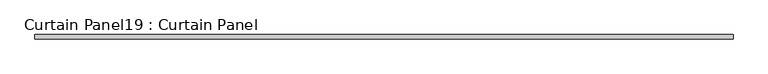
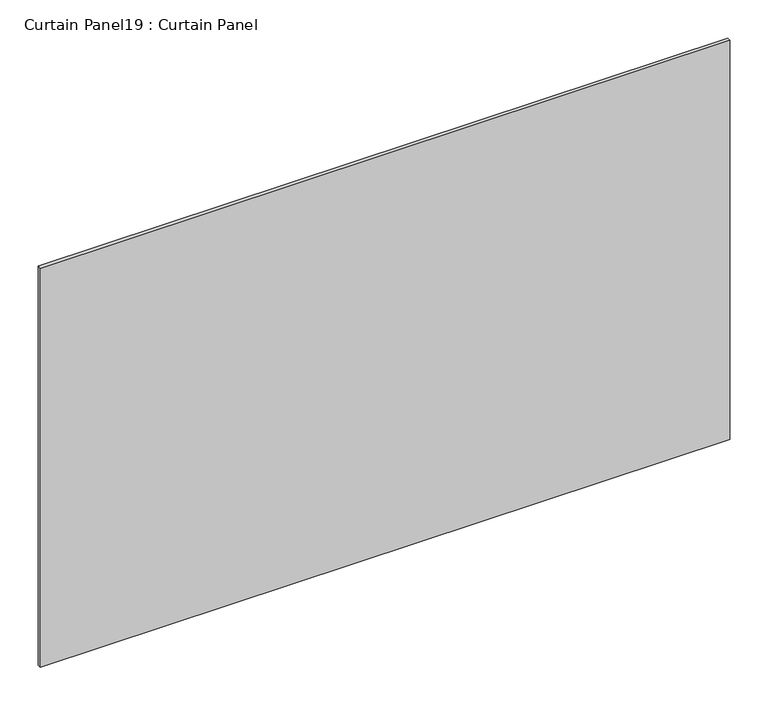
"""IFC4 building model written with IfcOpenShell, lengths in millimetres: plate geometry, Curtain Panel19 : Curtain Panel."""

import ifcopenshell
import ifcopenshell.guid

model = None  # the IFC model being written
_history = None  # IfcOwnerHistory: only IFC2X3 demands one
_inside = {}  # id of a spatial element -> (the spatial element, [elements in it])
_under = {}  # id of a project, library or spatial element -> (it, [spatial elements below it])
_declared = {}  # id of a project -> (the project, [libraries it declares])
_typed = {}  # id of a type object -> (the type object, [elements of that type])
_made_of = {}  # id of a material, layer set ... -> (it, [elements and type objects made of it])


def new_model(schema):
    """Start an empty IFC model of exactly this schema.

    Asked for "IFC4X3", IfcOpenShell would pick the latest addendum, in which some entities
    have other attributes; the version numbers below select the first issue.
    IFC2X3 requires an IfcOwnerHistory on every rooted entity: one is made here for all.
    """
    global model, _history
    if schema == "IFC4X3":
        model = ifcopenshell.file(schema_version=(4, 3, 0, 0))
    else:
        model = ifcopenshell.file(schema=schema)
    _inside.clear()
    _under.clear()
    _declared.clear()
    _typed.clear()
    _made_of.clear()
    _history = None
    if model.schema == "IFC2X3":
        org = make("IfcOrganization", Name="unknown")
        user = make(
            "IfcPersonAndOrganization",
            ThePerson=make("IfcPerson", FamilyName="unknown"),
            TheOrganization=org,
        )
        app = make(
            "IfcApplication",
            ApplicationDeveloper=org,
            Version="unknown",
            ApplicationFullName="unknown",
            ApplicationIdentifier="unknown",
        )
        _history = make(
            "IfcOwnerHistory",
            OwningUser=user,
            OwningApplication=app,
            ChangeAction="ADDED",
            CreationDate=0,
        )
    return model


def make(cls, **values):
    """One entity of the class cls with the attributes given. An attribute that is None is left unset."""
    return model.create_entity(
        cls, **{name: value for name, value in values.items() if value is not None}
    )


def rooted(cls, **values):
    """An entity with a GlobalId (a new one), such as an element, a storey or a relation."""
    return make(cls, GlobalId=ifcopenshell.guid.new(), OwnerHistory=_history, **values)


def si_unit(unit_type, name, prefix=None):
    """IfcSIUnit, for example si_unit("LENGTHUNIT", "METRE", prefix="MILLI")."""
    return make("IfcSIUnit", UnitType=unit_type, Prefix=prefix, Name=name)


def assignment(units):
    """IfcUnitAssignment: the units of a project."""
    return None if units is None else make("IfcUnitAssignment", Units=units)


def point(xyz):
    """IfcCartesianPoint."""
    return None if xyz is None else make("IfcCartesianPoint", Coordinates=xyz)


def direction(xyz):
    """IfcDirection."""
    return None if xyz is None else make("IfcDirection", DirectionRatios=xyz)


def frame(location, z_axis=None, x_axis=None):
    """IfcAxis2Placement3D, a coordinate frame: its origin and axes. An axis left out is left unset."""
    return make(
        "IfcAxis2Placement3D",
        Location=point(location),
        Axis=direction(z_axis),
        RefDirection=direction(x_axis),
    )


def origin():
    """The frame at (0, 0, 0) with its axes left unset."""
    return frame((0.0, 0.0, 0.0))


def place(relative_to, where):
    """IfcLocalPlacement: puts the frame where relative to a parent placement (None: the world)."""
    return make(
        "IfcLocalPlacement", PlacementRelTo=relative_to, RelativePlacement=where
    )


def context(
    kind, dimensions, precision=None, world=None, true_north=None, identifier=None
):
    """IfcGeometricRepresentationContext, for example the 3D "Model" context."""
    return make(
        "IfcGeometricRepresentationContext",
        ContextIdentifier=identifier,
        ContextType=kind,
        CoordinateSpaceDimension=dimensions,
        Precision=precision,
        WorldCoordinateSystem=world,
        TrueNorth=true_north,
    )


def project(units=None, contexts=None):
    """IfcProject with its units and contexts."""
    return rooted(
        "IfcProject",
        Name="project",
        RepresentationContexts=contexts,
        UnitsInContext=assignment(units),
    )


def spatial(cls, under=None, at=None, **own):
    """A site, building, storey or space (cls), placed at a placement, below another one or the project."""
    s = rooted(cls, ObjectPlacement=at, **own)
    if under is not None:
        _under.setdefault(under.id(), (under, []))[1].append(s)
    return s


def polyline(points):
    """IfcPolyline through the points."""
    return make("IfcPolyline", Points=[point(p) for p in points])


def outline(outer, holes=None, kind="AREA"):
    """IfcArbitraryClosedProfileDef: a profile drawn as a closed curve; with holes, ...WithVoids."""
    if holes is None:
        return make("IfcArbitraryClosedProfileDef", ProfileType=kind, OuterCurve=outer)
    return make(
        "IfcArbitraryProfileDefWithVoids",
        ProfileType=kind,
        OuterCurve=outer,
        InnerCurves=holes,
    )


def extrude(swept, where, along, depth):
    """IfcExtrudedAreaSolid: the profile swept, set in the frame where, extruded along a direction by depth."""
    return make(
        "IfcExtrudedAreaSolid",
        SweptArea=swept,
        Position=where,
        ExtrudedDirection=direction(along),
        Depth=depth,
    )


def shape(context_of_items, identifier, shape_type, items):
    """IfcShapeRepresentation: the items that make up one representation, for example the "Body"."""
    return make(
        "IfcShapeRepresentation",
        ContextOfItems=context_of_items,
        RepresentationIdentifier=identifier,
        RepresentationType=shape_type,
        Items=items,
    )


def source(mapping_origin, context_of_items, identifier, shape_type, items):
    """IfcRepresentationMap: a shape defined once, which mapped items show again and again."""
    return make(
        "IfcRepresentationMap",
        MappingOrigin=mapping_origin,
        MappedRepresentation=shape(context_of_items, identifier, shape_type, items),
    )


def transform(
    local_origin,
    x_axis=None,
    y_axis=None,
    z_axis=None,
    scale=None,
    scale2=None,
    scale3=None,
    uniform=True,
):
    """IfcCartesianTransformationOperator3D, or its non-uniform kind. x_axis, y_axis, z_axis: its Axis1, 2, 3."""
    if uniform:
        return make(
            "IfcCartesianTransformationOperator3D",
            Axis1=direction(x_axis),
            Axis2=direction(y_axis),
            LocalOrigin=point(local_origin),
            Scale=scale,
            Axis3=direction(z_axis),
        )
    return make(
        "IfcCartesianTransformationOperator3DnonUniform",
        Axis1=direction(x_axis),
        Axis2=direction(y_axis),
        LocalOrigin=point(local_origin),
        Scale=scale,
        Axis3=direction(z_axis),
        Scale2=scale2,
        Scale3=scale3,
    )


def mapped(mapping_source, mapping_target):
    """IfcMappedItem: shows the shape of a source again, moved by a transform."""
    return make(
        "IfcMappedItem", MappingSource=mapping_source, MappingTarget=mapping_target
    )


def made_of(thing, what):
    """Note that an element or type object is made of a material, layer set ...; save() writes the relation."""
    if what is not None:
        _made_of.setdefault(what.id(), (what, []))[1].append(thing)
    return thing


def element(
    cls,
    number,
    at=None,
    inside=None,
    cuts=None,
    type_object=None,
    material=None,
    context=None,
    identifier="Body",
    shape_type=None,
    held_by="IfcProductDefinitionShape",
    body=None,
    shapes=None,
    **own,
):
    """One element of the class cls, such as IfcWall. Its Tag is "e" and its number.

    at: its placement. inside: the storey or other place that contains it. cuts: it is an
    opening in that element (IfcRelVoidsElement). A single representation is given by context,
    identifier, shape_type and body (its items); several are given by shapes. held_by: the class
    of the entity that holds the representations. save() writes the other relations.
    """
    e = rooted(cls, Tag="e%d" % number, ObjectPlacement=at, **own)
    if body is not None:
        shapes = [shape(context, identifier, shape_type, body)]
    if shapes is not None:
        e.Representation = make(held_by, Representations=shapes)
    if inside is not None:
        _inside.setdefault(inside.id(), (inside, []))[1].append(e)
    if cuts is not None:
        rooted(
            "IfcRelVoidsElement", RelatingBuildingElement=cuts, RelatedOpeningElement=e
        )
    if type_object is not None:
        _typed.setdefault(type_object.id(), (type_object, []))[1].append(e)
    return made_of(e, material)


def aggregate(whole, parts):
    """IfcRelAggregates: a whole, such as a stair, and the parts it consists of."""
    return rooted("IfcRelAggregates", RelatingObject=whole, RelatedObjects=parts)


def save(model, path):
    """Write the relations noted so far, then the file.

    IfcRelAggregates (storeys below a building ...), IfcRelContainedInSpatialStructure (elements
    in a storey), IfcRelDefinesByType, IfcRelAssociatesMaterial and IfcRelDeclares: one each for
    every whole, place, type object, material and project.
    """
    for whole, parts in _under.values():
        aggregate(whole, parts)
    for where, things in _inside.values():
        rooted(
            "IfcRelContainedInSpatialStructure",
            RelatedElements=things,
            RelatingStructure=where,
        )
    for kind, things in _typed.values():
        rooted("IfcRelDefinesByType", RelatedObjects=things, RelatingType=kind)
    for what, things in _made_of.values():
        rooted("IfcRelAssociatesMaterial", RelatedObjects=things, RelatingMaterial=what)
    for by, libraries in _declared.values():
        rooted("IfcRelDeclares", RelatingContext=by, RelatedDefinitions=libraries)
    model.write(path)


def curtain_panel19_curtain_panel_2f3136bc(model_context):
    return source(origin(), model_context, "Body", "SweptSolid", [
        extrude(outline(polyline([(2482.7959131, 3568.3617926), (1437.1623895, 3568.3617926), (1437.1623895, 3574.7117926), (2482.7959131, 3574.7117926), (2482.7959131, 3568.3617926)])), frame((0.0, 0.0, 683.2652917), z_axis=(0.0, 0.0, 1.0), x_axis=(1.0, 0.0, 0.0)), (0.0, 0.0, 1.0), 640.0694167),
    ])


if __name__ == "__main__":
    model = new_model("IFC4")
    model_context = context("Model", 3, world=origin())
    ifc_project = project(units=[si_unit("LENGTHUNIT", "METRE", prefix="MILLI")], contexts=[model_context])
    site = spatial("IfcSite", under=ifc_project)
    building = spatial("IfcBuilding", under=site)
    placement = place(None, origin())
    curtain_panel19_curtain_panel_shape = curtain_panel19_curtain_panel_2f3136bc(model_context)
    element("IfcPlate", 1, ObjectType="Curtain Panel19 : Curtain Panel", at=placement, inside=building, context=model_context, shape_type="MappedRepresentation", body=[
        mapped(curtain_panel19_curtain_panel_shape, transform((0.0, 0.0, 0.0), x_axis=(1.0, 0.0, 0.0), y_axis=(0.0, 1.0, 0.0), z_axis=(0.0, 0.0, 1.0))),
    ])
    save(model, "model.ifc")
